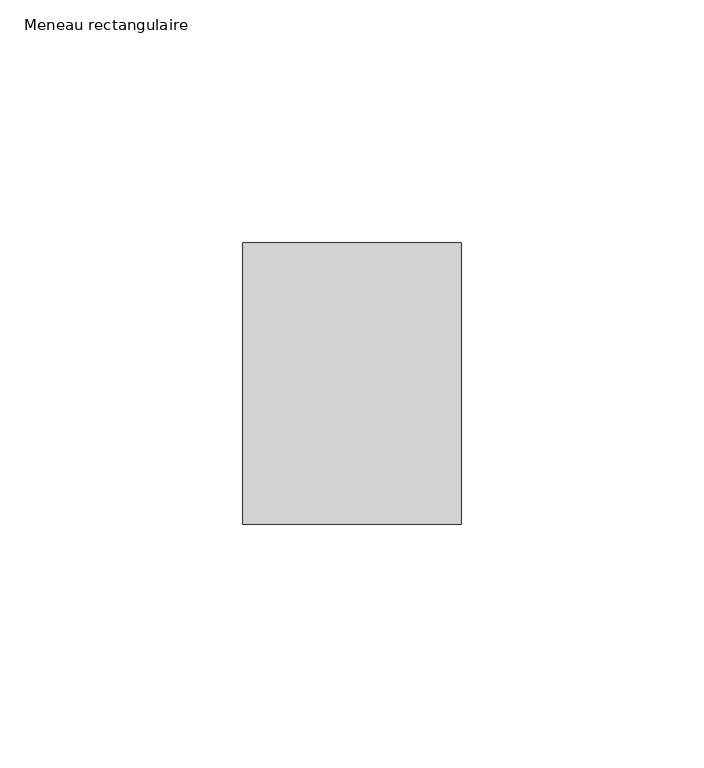
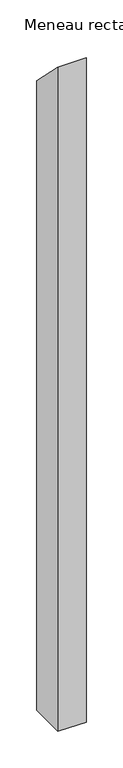
"""IFC4 building model written with IfcOpenShell, lengths in millimetres: member geometry, Meneau rectangulaire."""

from ifc_helpers import new_model, si_unit, frame, origin, place, context, project, spatial, polyline, outline, extrude, source, transform, mapped, element, save


def meneau_rectangulaire_427776e0(model_context):
    return source(origin(), model_context, "Body", "SweptSolid", [
        extrude(outline(polyline([(-29.0, 29.0), (29.0, -29.0), (29.0, -1081.0497356), (-29.0, -1081.0497356), (-29.0, 29.0)])), frame((-45.0, 0.0, 0.0), z_axis=(1.0, 0.0, 0.0), x_axis=(0.0, 1.0, 0.0)), (0.0, 0.0, 1.0), 45.0),
    ])


if __name__ == "__main__":
    model = new_model("IFC4")
    model_context = context("Model", 3, world=origin())
    ifc_project = project(units=[si_unit("LENGTHUNIT", "METRE", prefix="MILLI")], contexts=[model_context])
    site = spatial("IfcSite", under=ifc_project)
    building = spatial("IfcBuilding", under=site)
    placement = place(None, origin())
    meneau_rectangulaire_shape = meneau_rectangulaire_427776e0(model_context)
    element("IfcMember", 1, ObjectType="Meneau rectangulaire", at=placement, inside=building, context=model_context, shape_type="MappedRepresentation", body=[
        mapped(meneau_rectangulaire_shape, transform((0.0, 0.0, 0.0), x_axis=(1.0, 0.0, 0.0), y_axis=(0.0, 1.0, 0.0), z_axis=(0.0, 0.0, 1.0))),
    ])
    save(model, "model.ifc")
